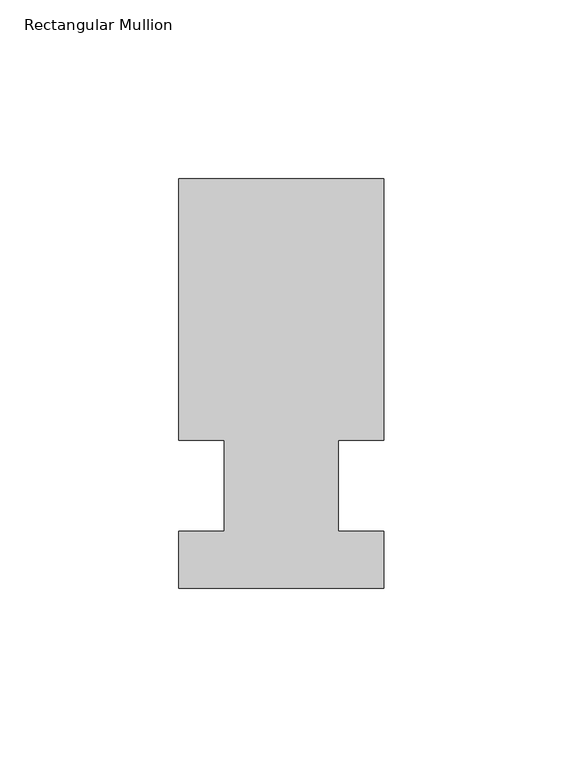
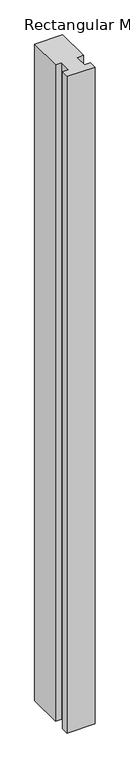
"""IFC4 building model written with IfcOpenShell, lengths in millimetres: member geometry, Rectangular Mullion."""

from ifc_helpers import new_model, si_unit, frame, origin, place, context, project, spatial, polyline, outline, extrude, source, transform, mapped, element, save


def rectangular_mullion_322a1247(model_context):
    return source(origin(), model_context, "Body", "SweptSolid", [
        extrude(outline(polyline([(32.9094027, 85.725), (32.9094027, 12.7), (20.2076322, 12.7), (20.2076322, -12.7), (32.9094027, -12.7), (32.9094027, -28.575), (-24.2405973, -28.575), (-24.2405973, -12.7), (-11.5405973, -12.7), (-11.5405973, 12.7), (-24.2405973, 12.7), (-24.2405973, 85.725), (32.9094027, 85.725)])), frame((0.0, 0.0, -1416.1510693), z_axis=(0.0, 0.0, 1.0), x_axis=(1.0, 0.0, 0.0)), (0.0, 0.0, 1.0), 1416.1510693),
    ])


if __name__ == "__main__":
    model = new_model("IFC4")
    model_context = context("Model", 3, world=origin())
    ifc_project = project(units=[si_unit("LENGTHUNIT", "METRE", prefix="MILLI")], contexts=[model_context])
    site = spatial("IfcSite", under=ifc_project)
    building = spatial("IfcBuilding", under=site)
    placement = place(None, origin())
    rectangular_mullion_shape = rectangular_mullion_322a1247(model_context)
    element("IfcMember", 1, ObjectType="Rectangular Mullion", at=placement, inside=building, context=model_context, shape_type="MappedRepresentation", body=[
        mapped(rectangular_mullion_shape, transform((0.0, 0.0, 0.0), x_axis=(1.0, 0.0, 0.0), y_axis=(0.0, 1.0, 0.0), z_axis=(0.0, 0.0, 1.0))),
    ])
    save(model, "model.ifc")
